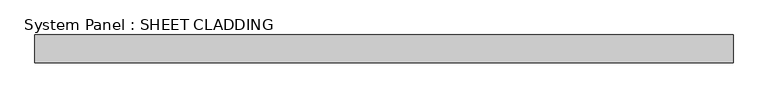
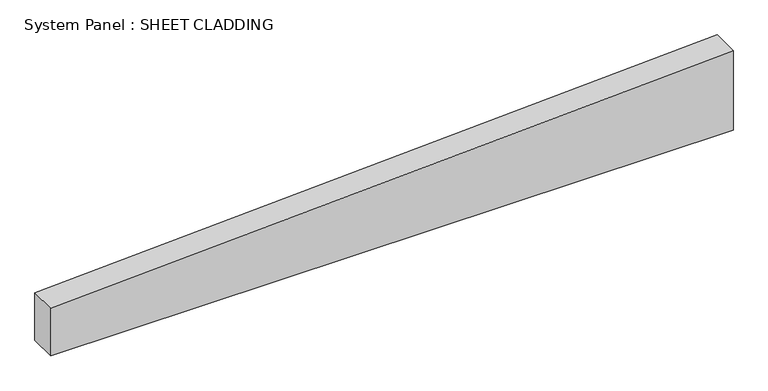
"""IFC4 building model written with IfcOpenShell, lengths in millimetres: plate geometry, System Panel : SHEET CLADDING."""

from ifc_helpers import new_model, si_unit, frame, origin, place, context, project, spatial, polyline, outline, extrude, source, transform, mapped, element, save


def system_panel_sheet_cladding_3e6a7c9b(model_context):
    return source(origin(), model_context, "Body", "SweptSolid", [
        extrude(outline(polyline([(0.0, -750.0), (0.0, 750.0), (185.1, 750.0), (110.1, -750.0), (0.0, -750.0)])), frame((0.0, -49.5, 0.0), z_axis=(0.0, 1.0, 0.0), x_axis=(0.0, 0.0, 1.0)), (0.0, 0.0, 1.0), 60.0),
    ])


if __name__ == "__main__":
    model = new_model("IFC4")
    model_context = context("Model", 3, world=origin())
    ifc_project = project(units=[si_unit("LENGTHUNIT", "METRE", prefix="MILLI")], contexts=[model_context])
    site = spatial("IfcSite", under=ifc_project)
    building = spatial("IfcBuilding", under=site)
    placement = place(None, origin())
    system_panel_sheet_cladding_shape = system_panel_sheet_cladding_3e6a7c9b(model_context)
    element("IfcPlate", 1, ObjectType="System Panel : SHEET CLADDING", at=placement, inside=building, context=model_context, shape_type="MappedRepresentation", body=[
        mapped(system_panel_sheet_cladding_shape, transform((0.0, 0.0, 0.0), x_axis=(1.0, 0.0, 0.0), y_axis=(0.0, 1.0, 0.0), z_axis=(0.0, 0.0, 1.0))),
    ])
    save(model, "model.ifc")
